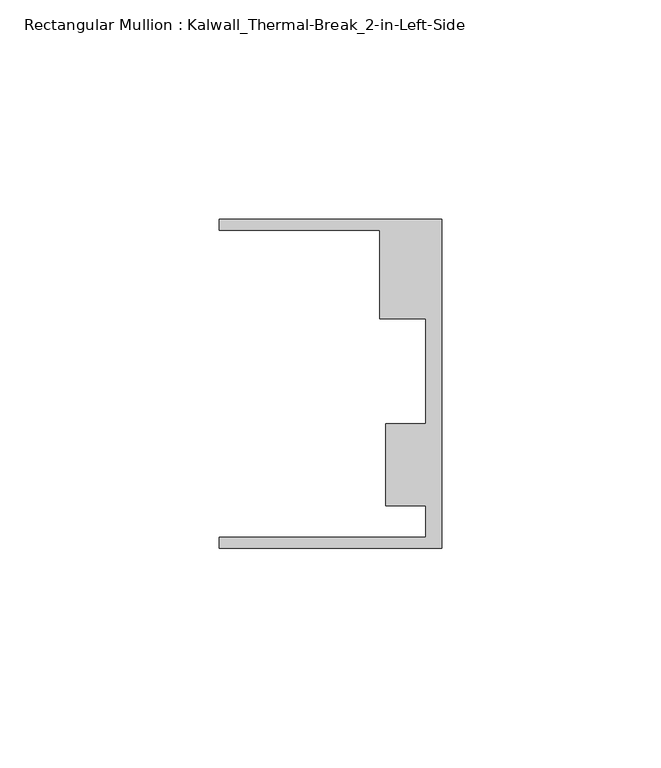
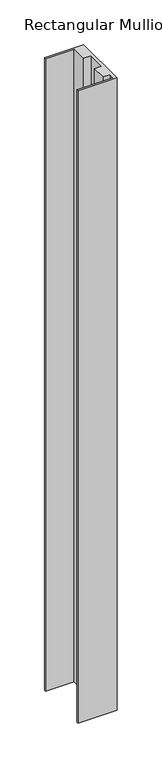
"""IFC4 building model written with IfcOpenShell, lengths in millimetres: member geometry, Rectangular Mullion : Kalwall_Thermal-Break_2-in-Left-Side."""

from ifc_helpers import new_model, si_unit, frame, origin, place, context, project, spatial, polyline, outline, extrude, source, transform, mapped, element, save


def rectangular_mullion_kalwall_thermal_break_2_in_left_side_e530c0b9(model_context):
    return source(origin(), model_context, "Body", "SweptSolid", [
        extrude(outline(polyline([(0.0, -37.5776386), (-50.8, -37.5776386), (-50.8, -35.0376386), (-3.7084, -35.0376386), (-3.7084, -27.8888568), (-12.8272539, -27.8888568), (-12.8272539, -9.1879886), (-3.7084, -9.1879886), (-3.7084, 14.7439614), (-14.1732, 14.7439614), (-14.1732, 34.9623614), (-50.8, 34.9623614), (-50.8, 37.5023614), (0.0, 37.5023614), (0.0, -37.5776386)])), frame((0.0, 0.0, -864.975), z_axis=(0.0, 0.0, 1.0), x_axis=(1.0, 0.0, 0.0)), (0.0, 0.0, 1.0), 864.975),
    ])


if __name__ == "__main__":
    model = new_model("IFC4")
    model_context = context("Model", 3, world=origin())
    ifc_project = project(units=[si_unit("LENGTHUNIT", "METRE", prefix="MILLI")], contexts=[model_context])
    site = spatial("IfcSite", under=ifc_project)
    building = spatial("IfcBuilding", under=site)
    placement = place(None, origin())
    rectangular_mullion_kalwall_thermal_break_2_in_left_side_shape = rectangular_mullion_kalwall_thermal_break_2_in_left_side_e530c0b9(model_context)
    element("IfcMember", 1, ObjectType="Rectangular Mullion : Kalwall_Thermal-Break_2-in-Left-Side", at=placement, inside=building, context=model_context, shape_type="MappedRepresentation", body=[
        mapped(rectangular_mullion_kalwall_thermal_break_2_in_left_side_shape, transform((0.0, 0.0, 0.0), x_axis=(1.0, 0.0, 0.0), y_axis=(0.0, 1.0, 0.0), z_axis=(0.0, 0.0, 1.0))),
    ])
    save(model, "model.ifc")
